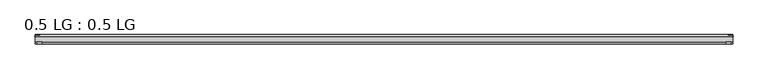
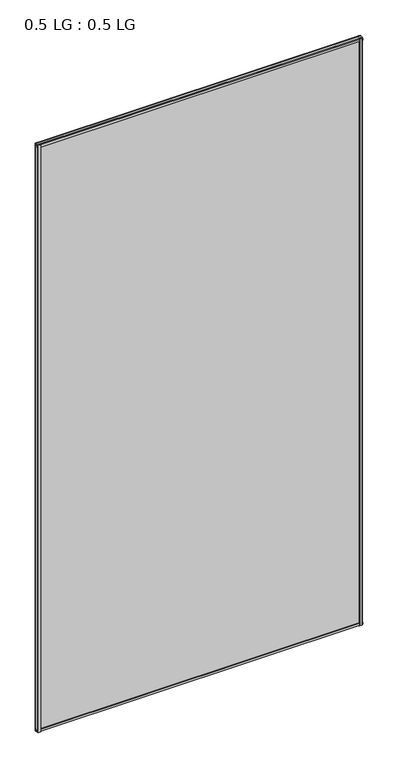
"""IFC4 building model written with IfcOpenShell, lengths in millimetres: plate geometry, 0.5 LG : 0.5 LG."""

from ifc_helpers import new_model, si_unit, frame, origin, origin_with_axes, place, context, project, spatial, polyline, outline, extrude, source, transform, mapped, element, save


def plate_0_5_lg_0_5_lg_3cf11131(model_context):
    return source(origin(), model_context, "Body", "SweptSolid", [
        extrude(outline(polyline([(-843.2139513, 16.9767247), (-844.4235412, 21.828125), (-830.8660345, 21.828125), (-832.0756244, 16.9767247), (-843.2139513, 16.9767247)])), origin_with_axes(), (0.0, 0.0, 1.0), 3232.5506801),
        extrude(outline(polyline([(-848.6599387, 34.680525), (-847.4221258, 39.4557249), (-836.3096173, 39.4557249), (-835.0958142, 34.680525), (-848.6599387, 34.680525)])), origin_with_axes(), (0.0, 0.0, 1.0), 3232.5506801),
        extrude(outline(polyline([(843.2139513, 16.9767247), (832.0756244, 16.9767247), (830.8660345, 21.828125), (844.4235412, 21.828125), (843.2139513, 16.9767247)])), origin_with_axes(), (0.0, 0.0, 1.0), 3232.5506801),
        extrude(outline(polyline([(848.6599387, 34.680525), (835.0958142, 34.680525), (836.3096173, 39.4557249), (847.4221258, 39.4557249), (848.6599387, 34.680525)])), origin_with_axes(), (0.0, 0.0, 1.0), 3232.5506801),
        extrude(outline(polyline([(39.4569539, 11.124921), (39.4569539, 0.0005878), (34.680525, -1.2138382), (34.680525, 12.3392211), (39.4569539, 11.124921)])), frame((-847.4221258, 0.0, 0.0), z_axis=(1.0, 0.0, 0.0), x_axis=(0.0, 1.0, 0.0)), (0.0, 0.0, 1.0), 1694.8442516),
        extrude(outline(polyline([(16.9767101, 13.8303088), (21.828125, 15.0636853), (21.828125, 1.4714303), (16.9767101, 2.704584), (16.9767101, 13.8303088)])), frame((-847.4221258, 0.0, 0.0), z_axis=(1.0, 0.0, 0.0), x_axis=(0.0, 1.0, 0.0)), (0.0, 0.0, 1.0), 1694.8442516),
        extrude(outline(polyline([(39.4569539, 3221.4257591), (34.680525, 3220.211459), (34.680525, 3233.7645183), (39.4569539, 3232.5500922), (39.4569539, 3221.4257591)])), frame((-847.4221258, 0.0, 0.0), z_axis=(1.0, 0.0, 0.0), x_axis=(0.0, 1.0, 0.0)), (0.0, 0.0, 1.0), 1694.8442516),
        extrude(outline(polyline([(16.9767101, 3218.7203713), (16.9767101, 3229.8460961), (21.828125, 3231.0792498), (21.828125, 3217.4869948), (16.9767101, 3218.7203713)])), frame((-847.4221258, 0.0, 0.0), z_axis=(1.0, 0.0, 0.0), x_axis=(0.0, 1.0, 0.0)), (0.0, 0.0, 1.0), 1694.8442516),
        extrude(outline(polyline([(847.4221258, 34.680525), (847.4221258, 21.828125), (-847.4221258, 21.828125), (-847.4221258, 34.680525), (847.4221258, 34.680525)])), origin_with_axes(), (0.0, 0.0, 1.0), 3232.5506801),
    ])


if __name__ == "__main__":
    model = new_model("IFC4")
    model_context = context("Model", 3, world=origin())
    ifc_project = project(units=[si_unit("LENGTHUNIT", "METRE", prefix="MILLI")], contexts=[model_context])
    site = spatial("IfcSite", under=ifc_project)
    building = spatial("IfcBuilding", under=site)
    placement = place(None, origin())
    plate_0_5_lg_0_5_lg_shape = plate_0_5_lg_0_5_lg_3cf11131(model_context)
    element("IfcPlate", 1, ObjectType="0.5 LG : 0.5 LG", at=placement, inside=building, context=model_context, shape_type="MappedRepresentation", body=[
        mapped(plate_0_5_lg_0_5_lg_shape, transform((0.0, 0.0, 0.0), x_axis=(1.0, 0.0, 0.0), y_axis=(0.0, 1.0, 0.0), z_axis=(0.0, 0.0, 1.0))),
    ])
    save(model, "model.ifc")
